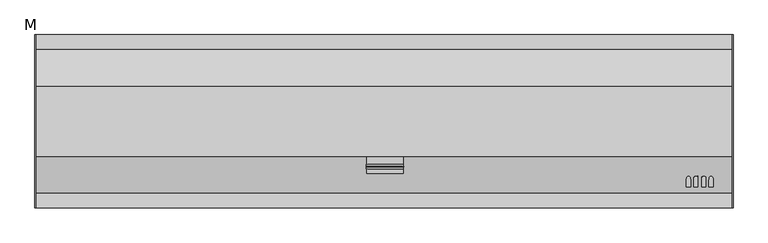
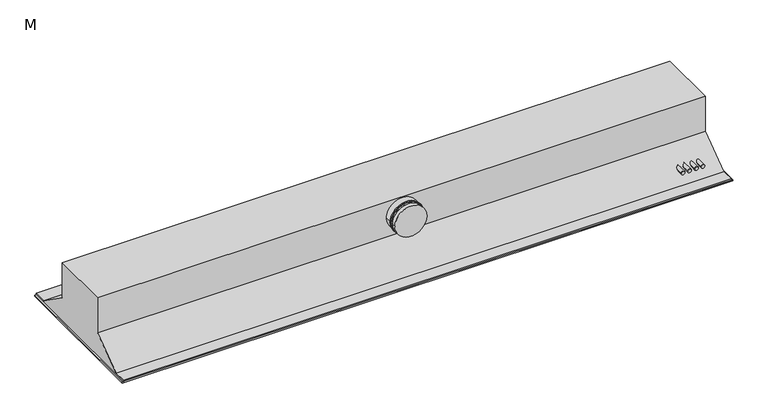
"""IFC4 building model written with IfcOpenShell, lengths in millimetres: proxy geometry, M."""

from ifc_helpers import new_model, si_unit, frame, origin, place, context, project, spatial, polyline, circle_curve, ellipse_curve, outline, extrude, faceted_brep, source, transform, mapped, element, save
from ifc_brep_helpers import plane_surface, cylinder_surface, advanced_brep


def m_d72ce030(model_context):
    return source(origin(), model_context, "Body", "SolidModel", [
        extrude(outline(polyline([(7.5, 120.0), (2389.1537206, 120.0), (2389.1537206, -120.0), (7.5, -120.0), (7.5, 120.0)])), frame((0.0, 0.0, -2.5), z_axis=(0.0, 0.0, 1.0), x_axis=(1.0, 0.0, 0.0)), (0.0, 0.0, 1.0), 2.5),
        faceted_brep([(2394.1537206, 297.0, 5.0), (2394.1537206, -297.0, 5.0), (2394.1537206, -297.0, 0.0), (2394.1537206, 297.0, 0.0), (0.0, 297.0, 5.0), (0.0, 297.0, 0.0), (0.0, -297.0, 0.0), (0.0, -297.0, 5.0), (7.5, -241.0841661, 5.0), (7.5, -120.0, 5.0), (2386.6537206, -120.0, 5.0), (2386.6537206, -241.0841661, 5.0), (7.5, 120.0, 5.0), (7.5, 241.0841661, 5.0), (2386.6537206, 241.0841661, 5.0), (2386.6537206, 120.0, 5.0), (7.5, -120.0, 0.0), (7.5, -248.1397217, 0.0), (2386.6537206, -248.1397217, 0.0), (2386.6537206, -120.0, 0.0), (7.5, 248.1397217, 0.0), (7.5, 120.0, 0.0), (2386.6537206, 120.0, 0.0), (2386.6537206, 248.1397217, 0.0)], [[[0, 1, 2, 3]], [[4, 5, 6, 7]], [[1, 0, 4, 7], [8, 9, 10, 11], [12, 13, 14, 15]], [[2, 1, 7, 6]], [[3, 2, 6, 5], [16, 17, 18, 19], [20, 21, 22, 23]], [[0, 3, 5, 4]], [[8, 17, 16, 9]], [[12, 21, 20, 13]], [[10, 19, 18, 11]], [[14, 23, 22, 15]], [[9, 16, 19, 10]], [[17, 8, 11, 18]], [[13, 20, 23, 14]], [[21, 12, 15, 22]]]),
        advanced_brep(
        [(2233.5537206, -225.722679, 43.6769689), (2248.5537206, -225.722679, 43.6769689), (2233.5537206, -186.5066655, 43.6769689), (2248.5537206, -186.5066655, 43.6769689)],
        [
            (0, 1, circle_curve(frame((2241.0537206, -225.722679, 43.6769689), z_axis=(0.0, -1.0, 0.0), x_axis=(1.0, 0.0, 0.0)), 7.5)),
            (1, 0, circle_curve(frame((2241.0537206, -225.722679, 43.6769689), z_axis=(0.0, -1.0, 0.0), x_axis=(1.0, 0.0, 0.0)), 7.5)),
            (0, 2),
            (2, 3, ellipse_curve(frame((2241.0537206, -186.5066655, 43.6769689), z_axis=(0.0, -0.5781955761083721, 0.8158982018418154), x_axis=(0.0, -0.8158982018418153, -0.5781955761083721)), 12.9713895, 7.5)),
            (3, 1),
            (3, 2, ellipse_curve(frame((2241.0537206, -186.5066655, 43.6769689), z_axis=(0.0, -0.5781955761083721, 0.8158982018418154), x_axis=(0.0, -0.8158982018418153, -0.5781955761083721)), 12.9713895, 7.5)),
        ],
        [
            plane_surface(frame((2248.5537206, -225.722679, 43.6769689), z_axis=(0.0, -1.0, 0.0), x_axis=(0.0, 0.0, 1.0))),
            cylinder_surface(frame((2241.0537206, -120.0, 43.6769689), z_axis=(0.0, -1.0, 0.0), x_axis=(1.0, 0.0, 0.0)), 7.5),
            plane_surface(frame((7.5, -268.1666667, -14.1923232), z_axis=(0.0, 0.5781955761083721, -0.8158982018418154), x_axis=(1.0, 0.0, 0.0))),
        ],
        [
            (0, [[1, 2]]),
            (1, [[-1, 3, 4, 5]]),
            (1, [[-2, -5, 6, -3]]),
            (2, [[-4, -6]]),
        ],
    ),
        advanced_brep(
        [(2258.7537206, -225.722679, 43.6769689), (2273.7537206, -225.722679, 43.6769689), (2258.7537206, -186.5066655, 43.6769689), (2273.7537206, -186.5066655, 43.6769689)],
        [
            (0, 1, circle_curve(frame((2266.2537206, -225.722679, 43.6769689), z_axis=(0.0, -1.0, 0.0), x_axis=(1.0, 0.0, 0.0)), 7.5)),
            (1, 0, circle_curve(frame((2266.2537206, -225.722679, 43.6769689), z_axis=(0.0, -1.0, 0.0), x_axis=(1.0, 0.0, 0.0)), 7.5)),
            (0, 2),
            (2, 3, ellipse_curve(frame((2266.2537206, -186.5066655, 43.6769689), z_axis=(0.0, -0.5781955761083721, 0.8158982018418154), x_axis=(0.0, -0.8158982018418153, -0.5781955761083721)), 12.9713895, 7.5)),
            (3, 1),
            (3, 2, ellipse_curve(frame((2266.2537206, -186.5066655, 43.6769689), z_axis=(0.0, -0.5781955761083721, 0.8158982018418154), x_axis=(0.0, -0.8158982018418153, -0.5781955761083721)), 12.9713895, 7.5)),
        ],
        [
            plane_surface(frame((2273.7537206, -225.722679, 43.6769689), z_axis=(0.0, -1.0, 0.0), x_axis=(0.0, 0.0, 1.0))),
            cylinder_surface(frame((2266.2537206, -120.0, 43.6769689), z_axis=(0.0, -1.0, 0.0), x_axis=(1.0, 0.0, 0.0)), 7.5),
            plane_surface(frame((7.5, -268.1666667, -14.1923232), z_axis=(0.0, 0.5781955761083721, -0.8158982018418154), x_axis=(1.0, 0.0, 0.0))),
        ],
        [
            (0, [[1, 2]]),
            (1, [[-1, 3, 4, 5]]),
            (1, [[-2, -5, 6, -3]]),
            (2, [[-4, -6]]),
        ],
    ),
        advanced_brep(
        [(2286.0537206, -225.722679, 43.6343396), (2301.0537206, -225.722679, 43.6343396), (2286.0537206, -186.5668202, 43.6343396), (2301.0537206, -186.5668202, 43.6343396)],
        [
            (0, 1, circle_curve(frame((2293.5537206, -225.722679, 43.6343396), z_axis=(0.0, -1.0, 0.0), x_axis=(1.0, 0.0, 0.0)), 7.5)),
            (1, 0, circle_curve(frame((2293.5537206, -225.722679, 43.6343396), z_axis=(0.0, -1.0, 0.0), x_axis=(1.0, 0.0, 0.0)), 7.5)),
            (0, 2),
            (2, 3, ellipse_curve(frame((2293.5537206, -186.5668202, 43.6343396), z_axis=(0.0, -0.5781955761083721, 0.8158982018418154), x_axis=(0.0, -0.8158982018418153, -0.5781955761083721)), 12.9713895, 7.5)),
            (3, 1),
            (3, 2, ellipse_curve(frame((2293.5537206, -186.5668202, 43.6343396), z_axis=(0.0, -0.5781955761083721, 0.8158982018418154), x_axis=(0.0, -0.8158982018418153, -0.5781955761083721)), 12.9713895, 7.5)),
        ],
        [
            plane_surface(frame((2301.0537206, -225.722679, 43.6343396), z_axis=(0.0, -1.0, 0.0), x_axis=(0.0, 0.0, 1.0))),
            cylinder_surface(frame((2293.5537206, -120.0, 43.6343396), z_axis=(0.0, -1.0, 0.0), x_axis=(1.0, 0.0, 0.0)), 7.5),
            plane_surface(frame((7.5, -268.1666667, -14.1923232), z_axis=(0.0, 0.5781955761083721, -0.8158982018418154), x_axis=(1.0, 0.0, 0.0))),
        ],
        [
            (0, [[1, 2]]),
            (1, [[-1, 3, 4, 5]]),
            (1, [[-2, -5, 6, -3]]),
            (2, [[-4, -6]]),
        ],
    ),
        advanced_brep(
        [(2311.2537206, -225.722679, 43.6343396), (2326.2537206, -225.722679, 43.6343396), (2311.2537206, -186.5668202, 43.6343396), (2326.2537206, -186.5668202, 43.6343396)],
        [
            (0, 1, circle_curve(frame((2318.7537206, -225.722679, 43.6343396), z_axis=(0.0, -1.0, 0.0), x_axis=(1.0, 0.0, 0.0)), 7.5)),
            (1, 0, circle_curve(frame((2318.7537206, -225.722679, 43.6343396), z_axis=(0.0, -1.0, 0.0), x_axis=(1.0, 0.0, 0.0)), 7.5)),
            (0, 2),
            (2, 3, ellipse_curve(frame((2318.7537206, -186.5668202, 43.6343396), z_axis=(0.0, -0.5781955761083721, 0.8158982018418154), x_axis=(0.0, -0.8158982018418153, -0.5781955761083721)), 12.9713895, 7.5)),
            (3, 1),
            (3, 2, ellipse_curve(frame((2318.7537206, -186.5668202, 43.6343396), z_axis=(0.0, -0.5781955761083721, 0.8158982018418154), x_axis=(0.0, -0.8158982018418153, -0.5781955761083721)), 12.9713895, 7.5)),
        ],
        [
            plane_surface(frame((2326.2537206, -225.722679, 43.6343396), z_axis=(0.0, -1.0, 0.0), x_axis=(0.0, 0.0, 1.0))),
            cylinder_surface(frame((2318.7537206, -120.0, 43.6343396), z_axis=(0.0, -1.0, 0.0), x_axis=(1.0, 0.0, 0.0)), 7.5),
            plane_surface(frame((7.5, -268.1666667, -14.1923232), z_axis=(0.0, 0.5781955761083721, -0.8158982018418154), x_axis=(1.0, 0.0, 0.0))),
        ],
        [
            (0, [[1, 2]]),
            (1, [[-1, 3, 4, 5]]),
            (1, [[-2, -5, 6, -3]]),
            (2, [[-4, -6]]),
        ],
    ),
        faceted_brep([(5.0, 297.0, 10.0), (5.0, 297.0, 5.0), (5.0, -297.0, 5.0), (5.0, -297.0, 10.0), (5.0, -247.0, 10.0), (5.0, -120.0, 100.0), (5.0, -120.0, 245.0), (5.0, 120.0, 245.0), (5.0, 120.0, 100.0), (5.0, 247.0, 10.0), (2389.1537206, 297.0, 10.0), (2389.1537206, 247.0, 10.0), (2389.1537206, 120.0, 100.0), (2389.1537206, 120.0, 245.0), (2389.1537206, -120.0, 245.0), (2389.1537206, -120.0, 100.0), (2389.1537206, -247.0, 10.0), (2389.1537206, -297.0, 10.0), (2389.1537206, -297.0, 5.0), (2389.1537206, 297.0, 5.0), (7.5, -120.0, 5.0), (7.5, -241.0841661, 5.0), (2386.6537206, -241.0841661, 5.0), (2386.6537206, -120.0, 5.0), (7.5, 241.0841661, 5.0), (7.5, 120.0, 5.0), (2386.6537206, 120.0, 5.0), (2386.6537206, 241.0841661, 5.0), (7.5, -120.0, 90.8076768), (7.5, 120.0, 90.8076768), (2386.6537206, -120.0, 90.8076768), (2386.6537206, 120.0, 90.8076768)], [[[0, 1, 2, 3, 4, 5, 6, 7, 8, 9]], [[10, 11, 12, 13, 14, 15, 16, 17, 18, 19]], [[1, 0, 10, 19]], [[2, 1, 19, 18], [20, 21, 22, 23], [24, 25, 26, 27]], [[3, 2, 18, 17]], [[6, 5, 15, 14]], [[7, 6, 14, 13]], [[8, 7, 13, 12]], [[4, 3, 17, 16]], [[5, 4, 16, 15]], [[9, 8, 12, 11]], [[0, 9, 11, 10]], [[28, 21, 20]], [[29, 25, 24]], [[30, 23, 22]], [[31, 27, 26]], [[30, 28, 20, 23]], [[28, 30, 22, 21]], [[31, 29, 24, 27]], [[29, 31, 26, 25]]]),
        advanced_brep(
        [(1263.322231, -155.0862996, 180.0), (1136.677769, -155.0862996, 180.0), (1136.677769, -148.5853933, 180.0), (1263.322231, -148.5853933, 180.0), (1264.3238442, -156.3261656, 180.0), (1135.6761558, -156.3261656, 180.0), (1135.6761558, -155.0862996, 180.0), (1264.3238442, -155.0862996, 180.0), (1263.322231, -162.8797249, 180.0), (1136.677769, -162.8797249, 180.0), (1136.677769, -156.3261656, 180.0), (1263.322231, -156.3261656, 180.0), (1262.5, -162.8797249, 180.0), (1137.5, -162.8797249, 180.0), (1137.5, -148.5853933, 180.0), (1262.5, -148.5853933, 180.0), (1137.5, -178.8606092, 180.0), (1262.5, -178.8606092, 180.0), (1137.5, -120.0, 180.0), (1262.5, -120.0, 180.0)],
        [
            (0, 1, circle_curve(frame((1200.0, -155.0862996, 180.0), z_axis=(0.0, 1.0, 0.0), x_axis=(-1.0, 0.0, 0.0)), 63.322231)),
            (1, 2),
            (2, 3, circle_curve(frame((1200.0, -148.5853933, 180.0), z_axis=(0.0, -1.0, 0.0), x_axis=(-1.0, 0.0, 0.0)), 63.322231)),
            (3, 0),
            (4, 5, circle_curve(frame((1200.0, -156.3261656, 180.0), z_axis=(0.0, 1.0, 0.0), x_axis=(-1.0, 0.0, 0.0)), 64.3238442)),
            (5, 6),
            (6, 7, circle_curve(frame((1200.0, -155.0862996, 180.0), z_axis=(0.0, -1.0, 0.0), x_axis=(-1.0, 0.0, 0.0)), 64.3238442)),
            (7, 4),
            (8, 9, circle_curve(frame((1200.0, -162.8797249, 180.0), z_axis=(0.0, 1.0, 0.0), x_axis=(-1.0, 0.0, 0.0)), 63.322231)),
            (9, 10),
            (10, 11, circle_curve(frame((1200.0, -156.3261656, 180.0), z_axis=(0.0, -1.0, 0.0), x_axis=(-1.0, 0.0, 0.0)), 63.322231)),
            (11, 8),
            (1, 0, circle_curve(frame((1200.0, -155.0862996, 180.0), z_axis=(0.0, 1.0, 0.0), x_axis=(1.0, 0.0, 0.0)), 63.322231)),
            (3, 2, circle_curve(frame((1200.0, -148.5853933, 180.0), z_axis=(0.0, -1.0, 0.0), x_axis=(1.0, 0.0, 0.0)), 63.322231)),
            (6, 7, circle_curve(frame((1200.0, -155.0862996, 180.0), z_axis=(0.0, 1.0, 0.0), x_axis=(1.0, 0.0, 0.0)), 64.3238442)),
            (5, 4, circle_curve(frame((1200.0, -156.3261656, 180.0), z_axis=(0.0, 1.0, 0.0), x_axis=(1.0, 0.0, 0.0)), 64.3238442)),
            (10, 11, circle_curve(frame((1200.0, -156.3261656, 180.0), z_axis=(0.0, 1.0, 0.0), x_axis=(1.0, 0.0, 0.0)), 63.322231)),
            (9, 8, circle_curve(frame((1200.0, -162.8797249, 180.0), z_axis=(0.0, 1.0, 0.0), x_axis=(1.0, 0.0, 0.0)), 63.322231)),
            (12, 13, circle_curve(frame((1200.0, -162.8797249, 180.0), z_axis=(0.0, 1.0, 0.0), x_axis=(1.0, 0.0, 0.0)), 62.5)),
            (13, 12, circle_curve(frame((1200.0, -162.8797249, 180.0), z_axis=(0.0, 1.0, 0.0), x_axis=(1.0, 0.0, 0.0)), 62.5)),
            (14, 15, circle_curve(frame((1200.0, -148.5853933, 180.0), z_axis=(0.0, -1.0, 0.0), x_axis=(1.0, 0.0, 0.0)), 62.5)),
            (15, 14, circle_curve(frame((1200.0, -148.5853933, 180.0), z_axis=(0.0, -1.0, 0.0), x_axis=(1.0, 0.0, 0.0)), 62.5)),
            (16, 17, circle_curve(frame((1200.0, -178.8606092, 180.0), z_axis=(0.0, -1.0, 0.0), x_axis=(1.0, 0.0, 0.0)), 62.5)),
            (17, 16, circle_curve(frame((1200.0, -178.8606092, 180.0), z_axis=(0.0, -1.0, 0.0), x_axis=(1.0, 0.0, 0.0)), 62.5)),
            (18, 19, circle_curve(frame((1200.0, -120.0, 180.0), z_axis=(0.0, 1.0, 0.0), x_axis=(1.0, 0.0, 0.0)), 62.5)),
            (19, 18, circle_curve(frame((1200.0, -120.0, 180.0), z_axis=(0.0, 1.0, 0.0), x_axis=(1.0, 0.0, 0.0)), 62.5)),
            (16, 13),
            (12, 17),
            (19, 15),
            (14, 18),
        ],
        [
            cylinder_surface(frame((1200.0, -155.7325591, 180.0), z_axis=(0.0, -1.0, 0.0), x_axis=(-1.0, 0.0, 0.0)), 63.322231),
            cylinder_surface(frame((1200.0, -155.7325591, 180.0), z_axis=(0.0, -1.0, 0.0), x_axis=(-1.0, 0.0, 0.0)), 64.3238442),
            cylinder_surface(frame((1200.0, -155.7325591, 180.0), z_axis=(0.0, -1.0, 0.0), x_axis=(1.0, 0.0, 0.0)), 63.322231),
            plane_surface(frame((1200.0, -155.0862996, 180.0), z_axis=(0.0, 1.0, 0.0), x_axis=(1.0, 0.0, 0.0))),
            cylinder_surface(frame((1200.0, -155.7325591, 180.0), z_axis=(0.0, -1.0, 0.0), x_axis=(1.0, 0.0, 0.0)), 64.3238442),
            plane_surface(frame((1200.0, -156.3261656, 180.0), z_axis=(0.0, -1.0, 0.0), x_axis=(1.0, 0.0, 0.0))),
            plane_surface(frame((1200.0, -162.8797249, 180.0), z_axis=(0.0, -1.0, 0.0), x_axis=(1.0, 0.0, 0.0))),
            plane_surface(frame((1200.0, -148.5853933, 180.0), z_axis=(0.0, 1.0, 0.0), x_axis=(1.0, 0.0, 0.0))),
            plane_surface(frame((1262.5, -178.8606092, 180.0), z_axis=(0.0, -1.0, 0.0), x_axis=(0.0, 0.0, 1.0))),
            plane_surface(frame((1262.5, -120.0, 180.0), z_axis=(0.0, 1.0, 0.0), x_axis=(0.0, 0.0, -1.0))),
            cylinder_surface(frame((1200.0, -120.0, 180.0), z_axis=(0.0, -1.0, 0.0), x_axis=(1.0, 0.0, 0.0)), 62.5),
        ],
        [
            (0, [[1, 2, 3, 4]]),
            (1, [[5, 6, 7, 8]]),
            (0, [[9, 10, 11, 12]]),
            (2, [[-2, 13, -4, 14]]),
            (3, [[-7, 15], [-1, -13]]),
            (4, [[-6, 16, -8, -15]]),
            (5, [[-5, -16], [-11, 17]]),
            (2, [[-10, 18, -12, -17]]),
            (6, [[-9, -18], [19, 20]]),
            (7, [[-3, -14], [21, 22]]),
            (8, [[23, 24]]),
            (9, [[25, 26]]),
            (10, [[-23, 27, -19, 28]]),
            (10, [[-26, 29, -21, 30]]),
            (10, [[-24, -28, -20, -27]]),
            (10, [[-25, -30, -22, -29]]),
        ],
    ),
    ])


if __name__ == "__main__":
    model = new_model("IFC4")
    model_context = context("Model", 3, world=origin())
    ifc_project = project(units=[si_unit("LENGTHUNIT", "METRE", prefix="MILLI")], contexts=[model_context])
    site = spatial("IfcSite", under=ifc_project)
    building = spatial("IfcBuilding", under=site)
    placement = place(None, origin())
    m_shape = m_d72ce030(model_context)
    element("IfcBuildingElementProxy", 1, Name="M", ObjectType="M", at=placement, inside=building, context=model_context, shape_type="MappedRepresentation", body=[
        mapped(m_shape, transform((0.0, 0.0, 0.0), x_axis=(1.0, 0.0, 0.0), y_axis=(0.0, 1.0, 0.0), z_axis=(0.0, 0.0, 1.0))),
    ])
    save(model, "model.ifc")
